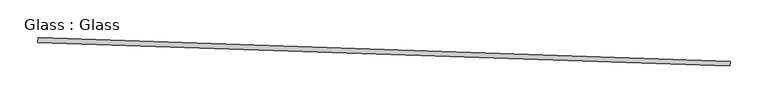
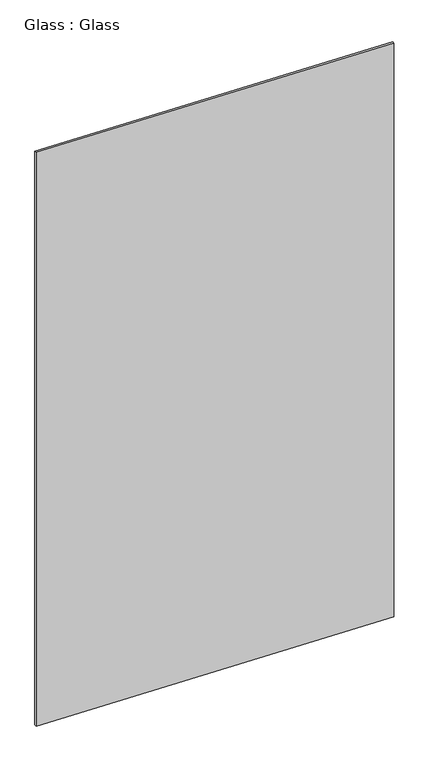
"""IFC4 building model written with IfcOpenShell, lengths in millimetres: proxy geometry, Glass : Glass."""

from ifc_helpers import new_model, si_unit, frame, origin, place, context, project, spatial, polyline, outline, extrude, source, transform, mapped, element, save


def glass_glass_3b793ba5(model_context):
    return source(origin(), model_context, "Body", "SweptSolid", [
        extrude(outline(polyline([(34353.8851234, -15490.652255), (34353.6680005, -15496.9985419), (33439.8026844, -15465.7328419), (33440.0198073, -15459.386555), (34353.8851234, -15490.652255)])), frame((0.0, 0.0, 1119.9084428), z_axis=(0.0, 0.0, 1.0), x_axis=(1.0, 0.0, 0.0)), (0.0, 0.0, 1.0), 1581.222807),
    ])


if __name__ == "__main__":
    model = new_model("IFC4")
    model_context = context("Model", 3, world=origin())
    ifc_project = project(units=[si_unit("LENGTHUNIT", "METRE", prefix="MILLI")], contexts=[model_context])
    site = spatial("IfcSite", under=ifc_project)
    building = spatial("IfcBuilding", under=site)
    placement = place(None, origin())
    glass_glass_shape = glass_glass_3b793ba5(model_context)
    element("IfcBuildingElementProxy", 1, Name="Glass : Glass", ObjectType="Glass : Glass", at=placement, inside=building, context=model_context, shape_type="MappedRepresentation", body=[
        mapped(glass_glass_shape, transform((0.0, 0.0, 0.0), x_axis=(1.0, 0.0, 0.0), y_axis=(0.0, 1.0, 0.0), z_axis=(0.0, 0.0, 1.0))),
    ])
    save(model, "model.ifc")
